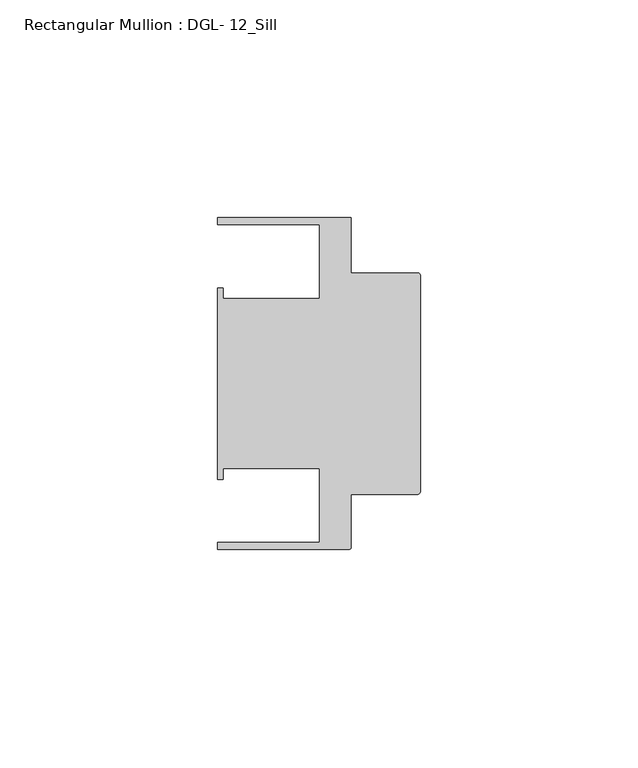
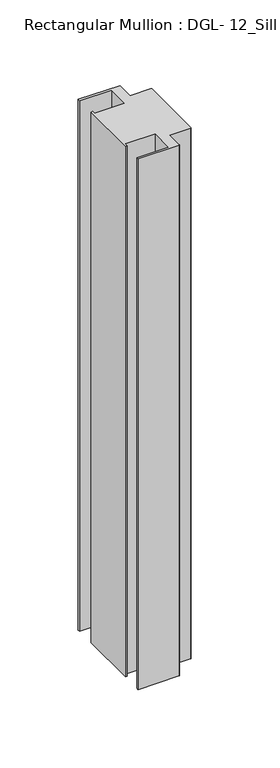
"""IFC4 building model written with IfcOpenShell, lengths in millimetres: member geometry, Rectangular Mullion : DGL- 12_Sill."""

from ifc_helpers import new_model, si_unit, point, frame, frame_2d, origin, place, context, project, spatial, polyline, circle_curve, trimmed, segment, composite_curve, outline, extrude, source, transform, mapped, element, save


def rectangular_mullion_dgl_12_sill_7086808a(model_context):
    return source(origin(), model_context, "Body", "SweptSolid", [
        extrude(outline(composite_curve([segment(trimmed(circle_curve(frame_2d((-0.5953125, 24.8046875)), 0.5953125), [point((-0.5953125, 25.4))], [point((0.0, 24.8046875))], False, "CARTESIAN"), True, "CONTINUOUS"), segment(polyline([(0.0, 24.8046875), (0.0, -24.8046875)]), True, "CONTINUOUS"), segment(trimmed(circle_curve(frame_2d((-0.5953125, -24.8046875)), 0.5953125), [point((0.0, -24.8046875))], [point((-0.5953125, -25.4))], False, "CARTESIAN"), True, "CONTINUOUS"), segment(polyline([(-0.5953125, -25.4), (-15.8750672, -25.4), (-15.8750672, -37.5047035)]), True, "CONTINUOUS"), segment(trimmed(circle_curve(frame_2d((-16.4703797, -37.5047035)), 0.5953125), [point((-15.8750672, -37.5047035))], [point((-16.4703797, -38.100016))], False, "CARTESIAN"), True, "CONTINUOUS"), segment(polyline([(-16.4703797, -38.100016), (-46.54296, -38.100016), (-46.54296, -36.512516), (-23.1202791, -36.512516), (-23.1202791, -19.4824275), (-45.2865266, -19.4824275), (-45.2865266, -21.9710976), (-46.54296, -21.9710976), (-46.54296, 21.9710976), (-45.2865266, 21.9710976), (-45.2865266, 19.4824275), (-23.1202791, 19.4824275), (-23.1202791, 36.512516), (-46.54296, 36.512516), (-46.54296, 38.0996792), (-15.8750672, 38.0996792), (-15.8750672, 25.4), (-0.5953125, 25.4)]), True, "CONTINUOUS")], self_intersect=False)), frame((0.0, 0.0, -412.75), z_axis=(0.0, 0.0, 1.0), x_axis=(1.0, 0.0, 0.0)), (0.0, 0.0, 1.0), 412.75),
    ])


if __name__ == "__main__":
    model = new_model("IFC4")
    model_context = context("Model", 3, world=origin())
    ifc_project = project(units=[si_unit("LENGTHUNIT", "METRE", prefix="MILLI")], contexts=[model_context])
    site = spatial("IfcSite", under=ifc_project)
    building = spatial("IfcBuilding", under=site)
    placement = place(None, origin())
    rectangular_mullion_dgl_12_sill_shape = rectangular_mullion_dgl_12_sill_7086808a(model_context)
    element("IfcMember", 1, ObjectType="Rectangular Mullion : DGL- 12_Sill", at=placement, inside=building, context=model_context, shape_type="MappedRepresentation", body=[
        mapped(rectangular_mullion_dgl_12_sill_shape, transform((0.0, 0.0, 0.0), x_axis=(1.0, 0.0, 0.0), y_axis=(0.0, 1.0, 0.0), z_axis=(0.0, 0.0, 1.0))),
    ])
    save(model, "model.ifc")
